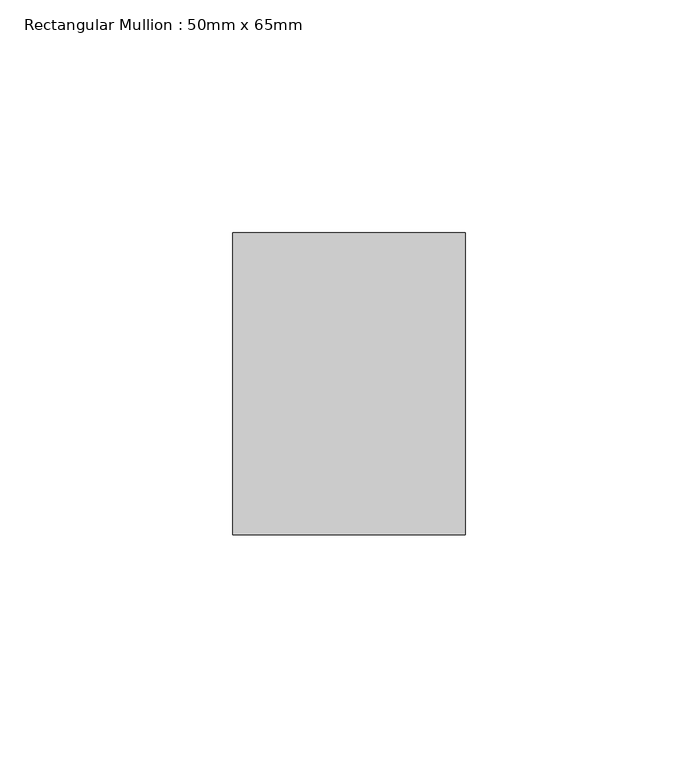
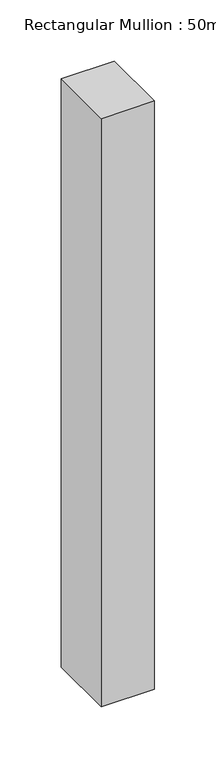
"""IFC4 building model written with IfcOpenShell, lengths in millimetres: member geometry, Rectangular Mullion : 50mm x 65mm."""

from ifc_helpers import new_model, si_unit, frame, origin, place, context, project, spatial, polyline, outline, extrude, source, transform, mapped, element, save


def rectangular_mullion_50mm_x_65mm_ccd78f6c(model_context):
    return source(origin(), model_context, "Body", "SweptSolid", [
        extrude(outline(polyline([(25.0, 32.5), (25.0, -32.5), (-25.0, -32.5), (-25.0, 32.5), (25.0, 32.5)])), frame((0.0, 0.0, -585.2033511), z_axis=(0.0, 0.0, 1.0), x_axis=(1.0, 0.0, 0.0)), (0.0, 0.0, 1.0), 585.2033511),
    ])


if __name__ == "__main__":
    model = new_model("IFC4")
    model_context = context("Model", 3, world=origin())
    ifc_project = project(units=[si_unit("LENGTHUNIT", "METRE", prefix="MILLI")], contexts=[model_context])
    site = spatial("IfcSite", under=ifc_project)
    building = spatial("IfcBuilding", under=site)
    placement = place(None, origin())
    rectangular_mullion_50mm_x_65mm_shape = rectangular_mullion_50mm_x_65mm_ccd78f6c(model_context)
    element("IfcMember", 1, ObjectType="Rectangular Mullion : 50mm x 65mm", at=placement, inside=building, context=model_context, shape_type="MappedRepresentation", body=[
        mapped(rectangular_mullion_50mm_x_65mm_shape, transform((0.0, 0.0, 0.0), x_axis=(1.0, 0.0, 0.0), y_axis=(0.0, 1.0, 0.0), z_axis=(0.0, 0.0, 1.0))),
    ])
    save(model, "model.ifc")
